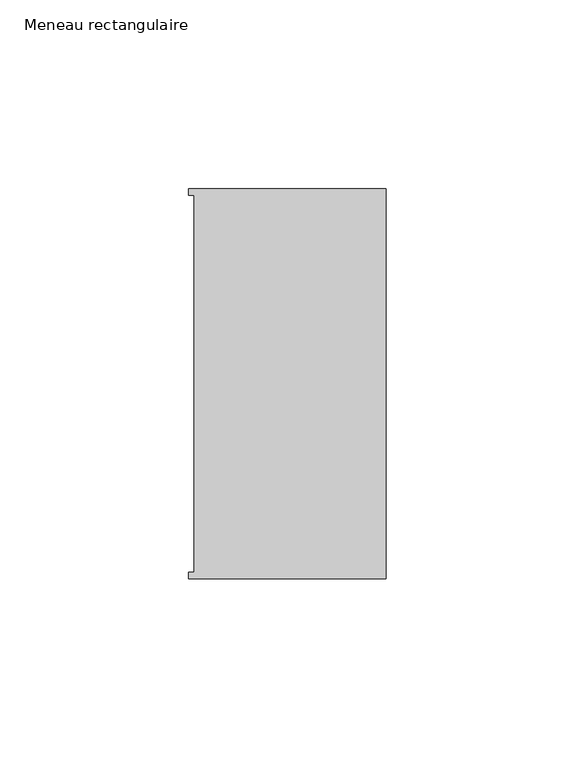
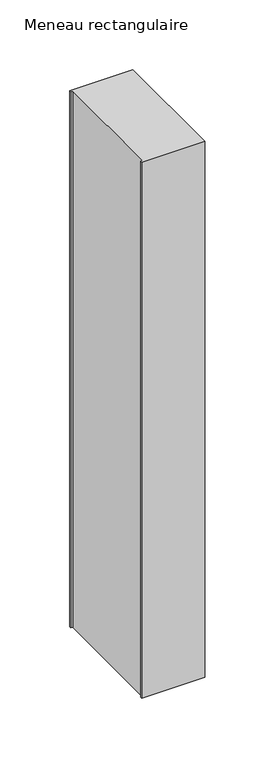
"""IFC4 building model written with IfcOpenShell, lengths in millimetres: member geometry, Meneau rectangulaire."""

from ifc_helpers import new_model, si_unit, frame, origin, place, context, project, spatial, polyline, outline, extrude, source, transform, mapped, element, save


def meneau_rectangulaire_34adc823(model_context):
    return source(origin(), model_context, "Body", "SweptSolid", [
        extrude(outline(polyline([(-52.3, 51.6531441), (0.0, 51.6531441), (0.0, -51.6130012), (-52.3, -51.6130012), (-52.3, -49.9174099), (-50.9, -49.9174099), (-50.9, 49.9174073), (-52.3, 49.9174073), (-52.3, 51.6531441)])), frame((0.0, 0.0, -469.1546344), z_axis=(0.0, 0.0, 1.0), x_axis=(1.0, 0.0, 0.0)), (0.0, 0.0, 1.0), 469.1546344),
    ])


if __name__ == "__main__":
    model = new_model("IFC4")
    model_context = context("Model", 3, world=origin())
    ifc_project = project(units=[si_unit("LENGTHUNIT", "METRE", prefix="MILLI")], contexts=[model_context])
    site = spatial("IfcSite", under=ifc_project)
    building = spatial("IfcBuilding", under=site)
    placement = place(None, origin())
    meneau_rectangulaire_shape = meneau_rectangulaire_34adc823(model_context)
    element("IfcMember", 1, ObjectType="Meneau rectangulaire", at=placement, inside=building, context=model_context, shape_type="MappedRepresentation", body=[
        mapped(meneau_rectangulaire_shape, transform((0.0, 0.0, 0.0), x_axis=(1.0, 0.0, 0.0), y_axis=(0.0, 1.0, 0.0), z_axis=(0.0, 0.0, 1.0))),
    ])
    save(model, "model.ifc")
